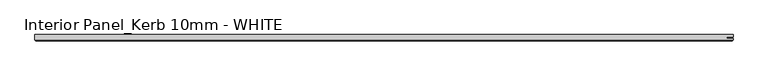
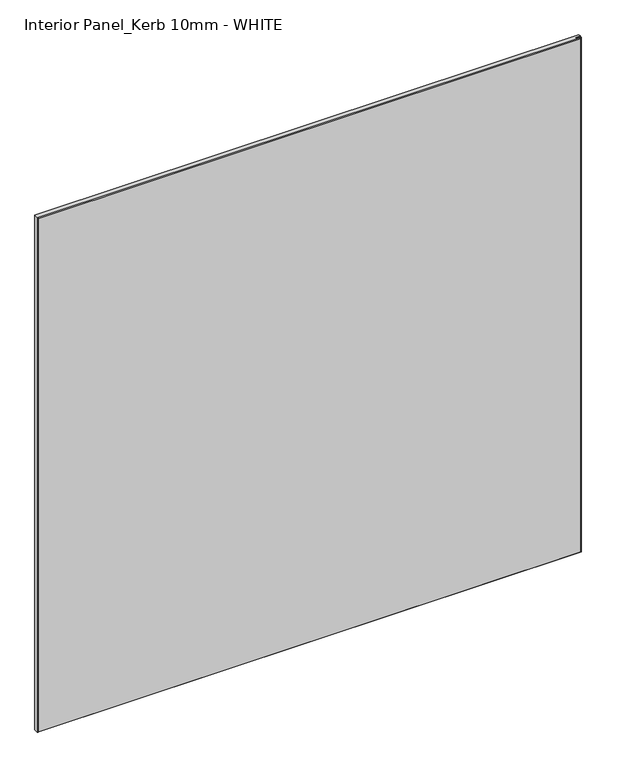
"""IFC4 building model written with IfcOpenShell, lengths in millimetres: proxy geometry, Interior Panel_Kerb 10mm - WHITE."""

import ifcopenshell
import ifcopenshell.guid

model = None  # the IFC model being written
_history = None  # IfcOwnerHistory: only IFC2X3 demands one
_inside = {}  # id of a spatial element -> (the spatial element, [elements in it])
_under = {}  # id of a project, library or spatial element -> (it, [spatial elements below it])
_declared = {}  # id of a project -> (the project, [libraries it declares])
_typed = {}  # id of a type object -> (the type object, [elements of that type])
_made_of = {}  # id of a material, layer set ... -> (it, [elements and type objects made of it])


def new_model(schema):
    """Start an empty IFC model of exactly this schema.

    Asked for "IFC4X3", IfcOpenShell would pick the latest addendum, in which some entities
    have other attributes; the version numbers below select the first issue.
    IFC2X3 requires an IfcOwnerHistory on every rooted entity: one is made here for all.
    """
    global model, _history
    if schema == "IFC4X3":
        model = ifcopenshell.file(schema_version=(4, 3, 0, 0))
    else:
        model = ifcopenshell.file(schema=schema)
    _inside.clear()
    _under.clear()
    _declared.clear()
    _typed.clear()
    _made_of.clear()
    _history = None
    if model.schema == "IFC2X3":
        org = make("IfcOrganization", Name="unknown")
        user = make(
            "IfcPersonAndOrganization",
            ThePerson=make("IfcPerson", FamilyName="unknown"),
            TheOrganization=org,
        )
        app = make(
            "IfcApplication",
            ApplicationDeveloper=org,
            Version="unknown",
            ApplicationFullName="unknown",
            ApplicationIdentifier="unknown",
        )
        _history = make(
            "IfcOwnerHistory",
            OwningUser=user,
            OwningApplication=app,
            ChangeAction="ADDED",
            CreationDate=0,
        )
    return model


def make(cls, **values):
    """One entity of the class cls with the attributes given. An attribute that is None is left unset."""
    return model.create_entity(
        cls, **{name: value for name, value in values.items() if value is not None}
    )


def rooted(cls, **values):
    """An entity with a GlobalId (a new one), such as an element, a storey or a relation."""
    return make(cls, GlobalId=ifcopenshell.guid.new(), OwnerHistory=_history, **values)


def si_unit(unit_type, name, prefix=None):
    """IfcSIUnit, for example si_unit("LENGTHUNIT", "METRE", prefix="MILLI")."""
    return make("IfcSIUnit", UnitType=unit_type, Prefix=prefix, Name=name)


def assignment(units):
    """IfcUnitAssignment: the units of a project."""
    return None if units is None else make("IfcUnitAssignment", Units=units)


def point(xyz):
    """IfcCartesianPoint."""
    return None if xyz is None else make("IfcCartesianPoint", Coordinates=xyz)


def direction(xyz):
    """IfcDirection."""
    return None if xyz is None else make("IfcDirection", DirectionRatios=xyz)


def frame(location, z_axis=None, x_axis=None):
    """IfcAxis2Placement3D, a coordinate frame: its origin and axes. An axis left out is left unset."""
    return make(
        "IfcAxis2Placement3D",
        Location=point(location),
        Axis=direction(z_axis),
        RefDirection=direction(x_axis),
    )


def origin():
    """The frame at (0, 0, 0) with its axes left unset."""
    return frame((0.0, 0.0, 0.0))


def place(relative_to, where):
    """IfcLocalPlacement: puts the frame where relative to a parent placement (None: the world)."""
    return make(
        "IfcLocalPlacement", PlacementRelTo=relative_to, RelativePlacement=where
    )


def context(
    kind, dimensions, precision=None, world=None, true_north=None, identifier=None
):
    """IfcGeometricRepresentationContext, for example the 3D "Model" context."""
    return make(
        "IfcGeometricRepresentationContext",
        ContextIdentifier=identifier,
        ContextType=kind,
        CoordinateSpaceDimension=dimensions,
        Precision=precision,
        WorldCoordinateSystem=world,
        TrueNorth=true_north,
    )


def project(units=None, contexts=None):
    """IfcProject with its units and contexts."""
    return rooted(
        "IfcProject",
        Name="project",
        RepresentationContexts=contexts,
        UnitsInContext=assignment(units),
    )


def spatial(cls, under=None, at=None, **own):
    """A site, building, storey or space (cls), placed at a placement, below another one or the project."""
    s = rooted(cls, ObjectPlacement=at, **own)
    if under is not None:
        _under.setdefault(under.id(), (under, []))[1].append(s)
    return s


def faces_of(points, faces, orient=None, outer=None):
    """IfcFace entities. A face is a list of loops; a loop is a list of indices into points, from 0.

    orient and outer hold one flag for each loop. By default every Orientation is true, the
    first loop of a face is its IfcFaceOuterBound and the others are IfcFaceBound.
    """
    made = []
    for i, loops in enumerate(faces):
        bounds = []
        for j, loop in enumerate(loops):
            is_outer = j == 0 if outer is None else outer[i][j]
            bounds.append(
                make(
                    "IfcFaceOuterBound" if is_outer else "IfcFaceBound",
                    Bound=make("IfcPolyLoop", Polygon=[points[k] for k in loop]),
                    Orientation=True if orient is None else orient[i][j],
                )
            )
        made.append(make("IfcFace", Bounds=bounds))
    return made


def faceted_brep(points, faces, orient=None, outer=None, voids=None):
    """IfcFacetedBrep: a solid bounded by flat faces; with voids (closed shells), ...WithVoids."""
    shared = [point(p) for p in points]
    hull = make("IfcClosedShell", CfsFaces=faces_of(shared, faces, orient, outer))
    if voids is None:
        return make("IfcFacetedBrep", Outer=hull)
    return make(
        "IfcFacetedBrepWithVoids",
        Outer=hull,
        Voids=[
            make(cls, CfsFaces=faces_of(shared, fs, o, b)) for cls, fs, o, b in voids
        ],
    )


def shape(context_of_items, identifier, shape_type, items):
    """IfcShapeRepresentation: the items that make up one representation, for example the "Body"."""
    return make(
        "IfcShapeRepresentation",
        ContextOfItems=context_of_items,
        RepresentationIdentifier=identifier,
        RepresentationType=shape_type,
        Items=items,
    )


def source(mapping_origin, context_of_items, identifier, shape_type, items):
    """IfcRepresentationMap: a shape defined once, which mapped items show again and again."""
    return make(
        "IfcRepresentationMap",
        MappingOrigin=mapping_origin,
        MappedRepresentation=shape(context_of_items, identifier, shape_type, items),
    )


def transform(
    local_origin,
    x_axis=None,
    y_axis=None,
    z_axis=None,
    scale=None,
    scale2=None,
    scale3=None,
    uniform=True,
):
    """IfcCartesianTransformationOperator3D, or its non-uniform kind. x_axis, y_axis, z_axis: its Axis1, 2, 3."""
    if uniform:
        return make(
            "IfcCartesianTransformationOperator3D",
            Axis1=direction(x_axis),
            Axis2=direction(y_axis),
            LocalOrigin=point(local_origin),
            Scale=scale,
            Axis3=direction(z_axis),
        )
    return make(
        "IfcCartesianTransformationOperator3DnonUniform",
        Axis1=direction(x_axis),
        Axis2=direction(y_axis),
        LocalOrigin=point(local_origin),
        Scale=scale,
        Axis3=direction(z_axis),
        Scale2=scale2,
        Scale3=scale3,
    )


def mapped(mapping_source, mapping_target):
    """IfcMappedItem: shows the shape of a source again, moved by a transform."""
    return make(
        "IfcMappedItem", MappingSource=mapping_source, MappingTarget=mapping_target
    )


def made_of(thing, what):
    """Note that an element or type object is made of a material, layer set ...; save() writes the relation."""
    if what is not None:
        _made_of.setdefault(what.id(), (what, []))[1].append(thing)
    return thing


def element(
    cls,
    number,
    at=None,
    inside=None,
    cuts=None,
    type_object=None,
    material=None,
    context=None,
    identifier="Body",
    shape_type=None,
    held_by="IfcProductDefinitionShape",
    body=None,
    shapes=None,
    **own,
):
    """One element of the class cls, such as IfcWall. Its Tag is "e" and its number.

    at: its placement. inside: the storey or other place that contains it. cuts: it is an
    opening in that element (IfcRelVoidsElement). A single representation is given by context,
    identifier, shape_type and body (its items); several are given by shapes. held_by: the class
    of the entity that holds the representations. save() writes the other relations.
    """
    e = rooted(cls, Tag="e%d" % number, ObjectPlacement=at, **own)
    if body is not None:
        shapes = [shape(context, identifier, shape_type, body)]
    if shapes is not None:
        e.Representation = make(held_by, Representations=shapes)
    if inside is not None:
        _inside.setdefault(inside.id(), (inside, []))[1].append(e)
    if cuts is not None:
        rooted(
            "IfcRelVoidsElement", RelatingBuildingElement=cuts, RelatedOpeningElement=e
        )
    if type_object is not None:
        _typed.setdefault(type_object.id(), (type_object, []))[1].append(e)
    return made_of(e, material)


def aggregate(whole, parts):
    """IfcRelAggregates: a whole, such as a stair, and the parts it consists of."""
    return rooted("IfcRelAggregates", RelatingObject=whole, RelatedObjects=parts)


def save(model, path):
    """Write the relations noted so far, then the file.

    IfcRelAggregates (storeys below a building ...), IfcRelContainedInSpatialStructure (elements
    in a storey), IfcRelDefinesByType, IfcRelAssociatesMaterial and IfcRelDeclares: one each for
    every whole, place, type object, material and project.
    """
    for whole, parts in _under.values():
        aggregate(whole, parts)
    for where, things in _inside.values():
        rooted(
            "IfcRelContainedInSpatialStructure",
            RelatedElements=things,
            RelatingStructure=where,
        )
    for kind, things in _typed.values():
        rooted("IfcRelDefinesByType", RelatedObjects=things, RelatingType=kind)
    for what, things in _made_of.values():
        rooted("IfcRelAssociatesMaterial", RelatedObjects=things, RelatingMaterial=what)
    for by, libraries in _declared.values():
        rooted("IfcRelDeclares", RelatingContext=by, RelatedDefinitions=libraries)
    model.write(path)


def interior_panel_kerb_10mm_white_32445e4a(model_context):
    return source(origin(), model_context, "Body", "Brep", [
        faceted_brep([(990.6, 3.175, 1063.625), (-73.025, 3.175, 1063.625), (-73.025, -4.7625, 1063.625), (990.6, -4.7625, 1063.625), (990.6, -2.6543, 1063.625), (980.7773437, -2.6543, 1063.625), (980.7773437, -0.5207, 1063.625), (990.6, -0.5207, 1063.625), (990.6, 3.175, 0.0), (990.6, -0.5207, 0.0), (980.7773437, -0.5207, 0.0), (980.7773437, -2.6543, 0.0), (990.6, -2.6543, 0.0), (990.6, -4.7625, 0.0), (-73.025, -4.7625, 0.0), (-73.025, 3.175, 0.0), (-71.4375, -6.35, 1062.0375), (-71.4375, -6.35, 1.5875), (989.0125, -6.35, 1.5875), (989.0125, -6.35, 1062.0375)], [[[0, 1, 2, 3, 4, 5, 6, 7]], [[8, 9, 10, 11, 12, 13, 14, 15]], [[1, 0, 8, 15]], [[2, 1, 15, 14]], [[16, 17, 18, 19]], [[4, 3, 13, 12]], [[2, 14, 17, 16]], [[13, 3, 19, 18]], [[3, 2, 16, 19]], [[14, 13, 18, 17]], [[5, 4, 12, 11]], [[6, 5, 11, 10]], [[7, 6, 10, 9]], [[0, 7, 9, 8]]]),
    ])


if __name__ == "__main__":
    model = new_model("IFC4")
    model_context = context("Model", 3, world=origin())
    ifc_project = project(units=[si_unit("LENGTHUNIT", "METRE", prefix="MILLI")], contexts=[model_context])
    site = spatial("IfcSite", under=ifc_project)
    building = spatial("IfcBuilding", under=site)
    placement = place(None, origin())
    interior_panel_kerb_10mm_white_shape = interior_panel_kerb_10mm_white_32445e4a(model_context)
    element("IfcBuildingElementProxy", 1, Name="Interior Panel_Kerb 10mm - WHITE", ObjectType="Interior Panel_Kerb 10mm - WHITE", at=placement, inside=building, context=model_context, shape_type="MappedRepresentation", body=[
        mapped(interior_panel_kerb_10mm_white_shape, transform((0.0, 0.0, 0.0), x_axis=(1.0, 0.0, 0.0), y_axis=(0.0, 1.0, 0.0), z_axis=(0.0, 0.0, 1.0))),
    ])
    save(model, "model.ifc")
